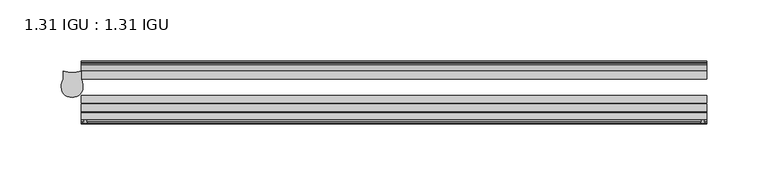
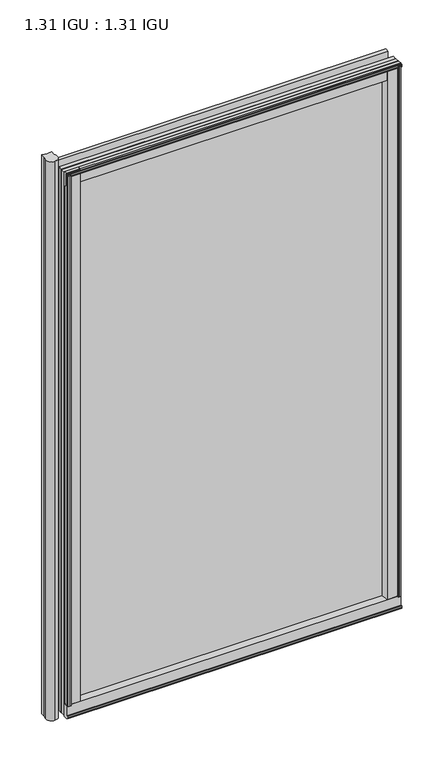
"""IFC4 building model written with IfcOpenShell, lengths in millimetres: plate geometry, 1.31 IGU : 1.31 IGU."""

import ifcopenshell
import ifcopenshell.guid

model = None  # the IFC model being written
_history = None  # IfcOwnerHistory: only IFC2X3 demands one
_inside = {}  # id of a spatial element -> (the spatial element, [elements in it])
_under = {}  # id of a project, library or spatial element -> (it, [spatial elements below it])
_declared = {}  # id of a project -> (the project, [libraries it declares])
_typed = {}  # id of a type object -> (the type object, [elements of that type])
_made_of = {}  # id of a material, layer set ... -> (it, [elements and type objects made of it])


def new_model(schema):
    """Start an empty IFC model of exactly this schema.

    Asked for "IFC4X3", IfcOpenShell would pick the latest addendum, in which some entities
    have other attributes; the version numbers below select the first issue.
    IFC2X3 requires an IfcOwnerHistory on every rooted entity: one is made here for all.
    """
    global model, _history
    if schema == "IFC4X3":
        model = ifcopenshell.file(schema_version=(4, 3, 0, 0))
    else:
        model = ifcopenshell.file(schema=schema)
    _inside.clear()
    _under.clear()
    _declared.clear()
    _typed.clear()
    _made_of.clear()
    _history = None
    if model.schema == "IFC2X3":
        org = make("IfcOrganization", Name="unknown")
        user = make(
            "IfcPersonAndOrganization",
            ThePerson=make("IfcPerson", FamilyName="unknown"),
            TheOrganization=org,
        )
        app = make(
            "IfcApplication",
            ApplicationDeveloper=org,
            Version="unknown",
            ApplicationFullName="unknown",
            ApplicationIdentifier="unknown",
        )
        _history = make(
            "IfcOwnerHistory",
            OwningUser=user,
            OwningApplication=app,
            ChangeAction="ADDED",
            CreationDate=0,
        )
    return model


def make(cls, **values):
    """One entity of the class cls with the attributes given. An attribute that is None is left unset."""
    return model.create_entity(
        cls, **{name: value for name, value in values.items() if value is not None}
    )


def rooted(cls, **values):
    """An entity with a GlobalId (a new one), such as an element, a storey or a relation."""
    return make(cls, GlobalId=ifcopenshell.guid.new(), OwnerHistory=_history, **values)


def si_unit(unit_type, name, prefix=None):
    """IfcSIUnit, for example si_unit("LENGTHUNIT", "METRE", prefix="MILLI")."""
    return make("IfcSIUnit", UnitType=unit_type, Prefix=prefix, Name=name)


def assignment(units):
    """IfcUnitAssignment: the units of a project."""
    return None if units is None else make("IfcUnitAssignment", Units=units)


def point(xyz):
    """IfcCartesianPoint."""
    return None if xyz is None else make("IfcCartesianPoint", Coordinates=xyz)


def direction(xyz):
    """IfcDirection."""
    return None if xyz is None else make("IfcDirection", DirectionRatios=xyz)


def frame(location, z_axis=None, x_axis=None):
    """IfcAxis2Placement3D, a coordinate frame: its origin and axes. An axis left out is left unset."""
    return make(
        "IfcAxis2Placement3D",
        Location=point(location),
        Axis=direction(z_axis),
        RefDirection=direction(x_axis),
    )


def frame_2d(location, x_axis=None):
    """IfcAxis2Placement2D, a coordinate frame in the plane: its origin and x axis."""
    return make(
        "IfcAxis2Placement2D", Location=point(location), RefDirection=direction(x_axis)
    )


def origin():
    """The frame at (0, 0, 0) with its axes left unset."""
    return frame((0.0, 0.0, 0.0))


def origin_with_axes():
    """The frame at (0, 0, 0) with the z axis (0, 0, 1) and the x axis (1, 0, 0) written out."""
    return frame((0.0, 0.0, 0.0), z_axis=(0.0, 0.0, 1.0), x_axis=(1.0, 0.0, 0.0))


def place(relative_to, where):
    """IfcLocalPlacement: puts the frame where relative to a parent placement (None: the world)."""
    return make(
        "IfcLocalPlacement", PlacementRelTo=relative_to, RelativePlacement=where
    )


def context(
    kind, dimensions, precision=None, world=None, true_north=None, identifier=None
):
    """IfcGeometricRepresentationContext, for example the 3D "Model" context."""
    return make(
        "IfcGeometricRepresentationContext",
        ContextIdentifier=identifier,
        ContextType=kind,
        CoordinateSpaceDimension=dimensions,
        Precision=precision,
        WorldCoordinateSystem=world,
        TrueNorth=true_north,
    )


def project(units=None, contexts=None):
    """IfcProject with its units and contexts."""
    return rooted(
        "IfcProject",
        Name="project",
        RepresentationContexts=contexts,
        UnitsInContext=assignment(units),
    )


def spatial(cls, under=None, at=None, **own):
    """A site, building, storey or space (cls), placed at a placement, below another one or the project."""
    s = rooted(cls, ObjectPlacement=at, **own)
    if under is not None:
        _under.setdefault(under.id(), (under, []))[1].append(s)
    return s


def polyline(points):
    """IfcPolyline through the points."""
    return make("IfcPolyline", Points=[point(p) for p in points])


def circle_curve(where, radius):
    """IfcCircle in the frame where."""
    return make("IfcCircle", Position=where, Radius=radius)


def ellipse_curve(where, semi_axis1, semi_axis2):
    """IfcEllipse in the frame where."""
    return make(
        "IfcEllipse", Position=where, SemiAxis1=semi_axis1, SemiAxis2=semi_axis2
    )


def trimmed(basis, trim1, trim2, sense, master):
    """IfcTrimmedCurve: the piece of a basis curve between two trims."""
    return make(
        "IfcTrimmedCurve",
        BasisCurve=basis,
        Trim1=trim1,
        Trim2=trim2,
        SenseAgreement=sense,
        MasterRepresentation=master,
    )


def segment(curve, same_sense, transition):
    """IfcCompositeCurveSegment."""
    return make(
        "IfcCompositeCurveSegment",
        Transition=transition,
        SameSense=same_sense,
        ParentCurve=curve,
    )


def composite_curve(segments, self_intersect=None):
    """IfcCompositeCurve: segments joined end to end."""
    return make("IfcCompositeCurve", Segments=segments, SelfIntersect=self_intersect)


def outline(outer, holes=None, kind="AREA"):
    """IfcArbitraryClosedProfileDef: a profile drawn as a closed curve; with holes, ...WithVoids."""
    if holes is None:
        return make("IfcArbitraryClosedProfileDef", ProfileType=kind, OuterCurve=outer)
    return make(
        "IfcArbitraryProfileDefWithVoids",
        ProfileType=kind,
        OuterCurve=outer,
        InnerCurves=holes,
    )


def extrude(swept, where, along, depth):
    """IfcExtrudedAreaSolid: the profile swept, set in the frame where, extruded along a direction by depth."""
    return make(
        "IfcExtrudedAreaSolid",
        SweptArea=swept,
        Position=where,
        ExtrudedDirection=direction(along),
        Depth=depth,
    )


def shape(context_of_items, identifier, shape_type, items):
    """IfcShapeRepresentation: the items that make up one representation, for example the "Body"."""
    return make(
        "IfcShapeRepresentation",
        ContextOfItems=context_of_items,
        RepresentationIdentifier=identifier,
        RepresentationType=shape_type,
        Items=items,
    )


def source(mapping_origin, context_of_items, identifier, shape_type, items):
    """IfcRepresentationMap: a shape defined once, which mapped items show again and again."""
    return make(
        "IfcRepresentationMap",
        MappingOrigin=mapping_origin,
        MappedRepresentation=shape(context_of_items, identifier, shape_type, items),
    )


def transform(
    local_origin,
    x_axis=None,
    y_axis=None,
    z_axis=None,
    scale=None,
    scale2=None,
    scale3=None,
    uniform=True,
):
    """IfcCartesianTransformationOperator3D, or its non-uniform kind. x_axis, y_axis, z_axis: its Axis1, 2, 3."""
    if uniform:
        return make(
            "IfcCartesianTransformationOperator3D",
            Axis1=direction(x_axis),
            Axis2=direction(y_axis),
            LocalOrigin=point(local_origin),
            Scale=scale,
            Axis3=direction(z_axis),
        )
    return make(
        "IfcCartesianTransformationOperator3DnonUniform",
        Axis1=direction(x_axis),
        Axis2=direction(y_axis),
        LocalOrigin=point(local_origin),
        Scale=scale,
        Axis3=direction(z_axis),
        Scale2=scale2,
        Scale3=scale3,
    )


def mapped(mapping_source, mapping_target):
    """IfcMappedItem: shows the shape of a source again, moved by a transform."""
    return make(
        "IfcMappedItem", MappingSource=mapping_source, MappingTarget=mapping_target
    )


def made_of(thing, what):
    """Note that an element or type object is made of a material, layer set ...; save() writes the relation."""
    if what is not None:
        _made_of.setdefault(what.id(), (what, []))[1].append(thing)
    return thing


def element(
    cls,
    number,
    at=None,
    inside=None,
    cuts=None,
    type_object=None,
    material=None,
    context=None,
    identifier="Body",
    shape_type=None,
    held_by="IfcProductDefinitionShape",
    body=None,
    shapes=None,
    **own,
):
    """One element of the class cls, such as IfcWall. Its Tag is "e" and its number.

    at: its placement. inside: the storey or other place that contains it. cuts: it is an
    opening in that element (IfcRelVoidsElement). A single representation is given by context,
    identifier, shape_type and body (its items); several are given by shapes. held_by: the class
    of the entity that holds the representations. save() writes the other relations.
    """
    e = rooted(cls, Tag="e%d" % number, ObjectPlacement=at, **own)
    if body is not None:
        shapes = [shape(context, identifier, shape_type, body)]
    if shapes is not None:
        e.Representation = make(held_by, Representations=shapes)
    if inside is not None:
        _inside.setdefault(inside.id(), (inside, []))[1].append(e)
    if cuts is not None:
        rooted(
            "IfcRelVoidsElement", RelatingBuildingElement=cuts, RelatedOpeningElement=e
        )
    if type_object is not None:
        _typed.setdefault(type_object.id(), (type_object, []))[1].append(e)
    return made_of(e, material)


def aggregate(whole, parts):
    """IfcRelAggregates: a whole, such as a stair, and the parts it consists of."""
    return rooted("IfcRelAggregates", RelatingObject=whole, RelatedObjects=parts)


def save(model, path):
    """Write the relations noted so far, then the file.

    IfcRelAggregates (storeys below a building ...), IfcRelContainedInSpatialStructure (elements
    in a storey), IfcRelDefinesByType, IfcRelAssociatesMaterial and IfcRelDeclares: one each for
    every whole, place, type object, material and project.
    """
    for whole, parts in _under.values():
        aggregate(whole, parts)
    for where, things in _inside.values():
        rooted(
            "IfcRelContainedInSpatialStructure",
            RelatedElements=things,
            RelatingStructure=where,
        )
    for kind, things in _typed.values():
        rooted("IfcRelDefinesByType", RelatedObjects=things, RelatingType=kind)
    for what, things in _made_of.values():
        rooted("IfcRelAssociatesMaterial", RelatedObjects=things, RelatingMaterial=what)
    for by, libraries in _declared.values():
        rooted("IfcRelDeclares", RelatingContext=by, RelatedDefinitions=libraries)
    model.write(path)


def plane_surface(at):
    """IfcPlane: the flat surface through the origin of the frame at, square to its z axis."""
    return make("IfcPlane", Position=at)


def cylinder_surface(at, radius):
    """IfcCylindricalSurface: all points at the distance radius from the z axis of the frame at."""
    return make("IfcCylindricalSurface", Position=at, Radius=radius)


def revolved_surface(curve, axis_point, axis_direction):
    """IfcSurfaceOfRevolution: the curve turned about the line through axis_point along axis_direction."""
    return make(
        "IfcSurfaceOfRevolution",
        SweptCurve=make("IfcArbitraryOpenProfileDef", ProfileType="CURVE", Curve=curve),
        AxisPosition=make("IfcAxis1Placement", Location=point(axis_point), Axis=direction(axis_direction)),
    )


def extruded_surface(curve, direction_of_extrusion, depth):
    """IfcSurfaceOfLinearExtrusion: the curve pushed along a direction by depth."""
    return make(
        "IfcSurfaceOfLinearExtrusion",
        SweptCurve=make("IfcArbitraryOpenProfileDef", ProfileType="CURVE", Curve=curve),
        ExtrudedDirection=direction(direction_of_extrusion),
        Depth=depth,
    )


def advanced_brep(points, edges, surfaces, faces):
    """IfcAdvancedBrep: a solid bounded by faces that lie on surfaces and meet in shared edges.

    An edge is (start, end): straight between two places in points (the first is 0);
    or (start, end, curve); or (start, end, curve, False) where it runs against its curve.
    A face is (place in surfaces, loops), or (place, loops, False) where it looks against
    its surface's normal. A loop lists edges by number (the first is 1), with a minus sign
    where the edge is run from its end to its start. The first loop is the outer one.
    """
    corners = [point(p) for p in points]
    vertices = [make("IfcVertexPoint", VertexGeometry=c) for c in corners]
    made = []
    for start, end, *more in edges:
        made.append(
            make(
                "IfcEdgeCurve",
                EdgeStart=vertices[start],
                EdgeEnd=vertices[end],
                EdgeGeometry=more[0] if more else make("IfcPolyline", Points=[corners[start], corners[end]]),
                SameSense=more[1] if len(more) > 1 else True,
            )
        )
    hull = []
    for where, loops, *sense in faces:
        bounds = []
        for j, loop in enumerate(loops):
            ring = [make("IfcOrientedEdge", EdgeElement=made[abs(k) - 1], Orientation=k > 0) for k in loop]
            bounds.append(
                make(
                    "IfcFaceOuterBound" if j == 0 else "IfcFaceBound",
                    Bound=make("IfcEdgeLoop", EdgeList=ring),
                    Orientation=True,
                )
            )
        hull.append(make("IfcAdvancedFace", Bounds=bounds, FaceSurface=surfaces[where], SameSense=sense[0] if sense else True))
    return make("IfcAdvancedBrep", Outer=make("IfcClosedShell", CfsFaces=hull))


def plate_1_31_igu_1_31_igu_c24cada8(model_context):
    return source(origin(), model_context, "Body", "SolidModel", [
        advanced_brep(
        [(-210.1117597, -39.3432088, 869.9372998), (-201.289837, -31.0522938, 869.9372998), (-202.7487195, -24.3085937, 869.9372998), (-202.7487195, -17.9585937, 869.9372998), (-210.1117597, -18.9109532, 869.9372998), (-217.4748, -17.9585937, 869.9372998), (-217.4748, -24.3085937, 869.9372998), (-218.9336825, -31.0522937, 869.9372998), (-210.1117597, -39.3432088, -31.7372998), (-218.9336825, -31.0522937, -31.7372998), (-217.4748, -24.3085937, -31.7372998), (-217.4748, -17.9585937, -31.7372998), (-210.1117597, -18.9109532, -31.7372998), (-202.7487195, -17.9585937, -31.7372998), (-202.7487195, -24.3085937, -31.7372998), (-201.289837, -31.0522938, -31.7372998)],
        [
            (0, 1, ellipse_curve(frame((-209.3823185, -31.0522937, 869.9372998), z_axis=(0.0, 0.0, 1.0), x_axis=(0.0, 1.0, 0.0)), 8.3248031, 8.0924815)),
            (1, 2, circle_curve(frame((-217.6056908, -31.0522937, 869.9372998), z_axis=(0.0, 0.0, 1.0), x_axis=(0.0, 1.0, 0.0)), 16.3158538)),
            (2, 3),
            (3, 4, circle_curve(frame((-210.1117597, 10.0284087, 869.9372998), z_axis=(0.0, 0.0, -1.0), x_axis=(0.0, 1.0, 0.0)), 28.9393619)),
            (4, 5, circle_curve(frame((-210.1117597, 10.0284087, 869.9372998), z_axis=(0.0, 0.0, -1.0), x_axis=(0.0, 1.0, 0.0)), 28.9393619)),
            (5, 6),
            (6, 7, circle_curve(frame((-202.6178287, -31.0522937, 869.9372998), z_axis=(0.0, 0.0, 1.0), x_axis=(0.0, 1.0, 0.0)), 16.3158538)),
            (7, 0, ellipse_curve(frame((-210.841201, -31.0522937, 869.9372998), z_axis=(0.0, 0.0, 1.0), x_axis=(0.0, 1.0, 0.0)), 8.3248031, 8.0924815)),
            (8, 9, ellipse_curve(frame((-210.841201, -31.0522937, -31.7372998), z_axis=(0.0, 0.0, -1.0), x_axis=(0.0, 1.0, 0.0)), 8.3248031, 8.0924815)),
            (9, 10, circle_curve(frame((-202.6178287, -31.0522937, -31.7372998), z_axis=(0.0, 0.0, -1.0), x_axis=(0.0, 1.0, 0.0)), 16.3158538)),
            (10, 11),
            (11, 12, circle_curve(frame((-210.1117597, 10.0284087, -31.7372998), z_axis=(0.0, 0.0, 1.0), x_axis=(0.0, 1.0, 0.0)), 28.9393619)),
            (12, 13, circle_curve(frame((-210.1117597, 10.0284087, -31.7372998), z_axis=(0.0, 0.0, 1.0), x_axis=(0.0, 1.0, 0.0)), 28.9393619)),
            (13, 14),
            (14, 15, circle_curve(frame((-217.6056908, -31.0522937, -31.7372998), z_axis=(0.0, 0.0, -1.0), x_axis=(0.0, 1.0, 0.0)), 16.3158538)),
            (15, 8, ellipse_curve(frame((-209.3823185, -31.0522937, -31.7372998), z_axis=(0.0, 0.0, -1.0), x_axis=(0.0, 1.0, 0.0)), 8.3248031, 8.0924815)),
            (7, 9),
            (8, 0),
            (6, 10),
            (5, 11),
            (4, 12),
            (3, 13),
            (2, 14),
            (1, 15),
        ],
        [
            plane_surface(frame((-288.925, -11.6085937, 869.9372998), z_axis=(0.0, 0.0, 1.0), x_axis=(0.0, 1.0, 0.0))),
            plane_surface(frame((-288.925, -11.6085937, -31.7372998), z_axis=(0.0, 0.0, -1.0), x_axis=(0.0, 1.0, 0.0))),
            extruded_surface(trimmed(ellipse_curve(frame((-210.841201, -31.0522937, -31.7372998), z_axis=(0.0, 0.0, 1.0), x_axis=(0.0, 1.0, 0.0)), 8.3248031, 8.0924815), [point((-218.9336825, -31.0522937, -31.7372998))], [point((-210.1117597, -39.3432088, -31.7372998))], True, "CARTESIAN"), (0.0, 0.0, 901.6745996), 901.6745996),
            cylinder_surface(frame((-202.6178287, -31.0522937, 869.9372998), z_axis=(0.0, 0.0, 1.0), x_axis=(0.0, 1.0, 0.0)), 16.3158538),
            plane_surface(frame((-217.4748, -17.9585937, 869.9372998), z_axis=(-1.0, 0.0, 0.0), x_axis=(0.0, 0.0, -1.0))),
            revolved_surface(polyline([(-210.1117597, 38.9677706, -31.73729979999996), (-210.1117597, 38.9677706, 869.9372998)]), (-210.1117597, 10.0284087, 869.9372998), (0.0, 0.0, -1.0)),
            plane_surface(frame((-202.7487195, -24.3085937, 869.9372998), z_axis=(1.0, 0.0, 0.0), x_axis=(0.0, 0.0, -1.0))),
            cylinder_surface(frame((-217.6056908, -31.0522937, 869.9372998), z_axis=(0.0, 0.0, 1.0), x_axis=(0.0, 1.0, 0.0)), 16.3158538),
            extruded_surface(trimmed(ellipse_curve(frame((-209.3823185, -31.0522937, -31.7372998), z_axis=(0.0, 0.0, 1.0), x_axis=(0.0, 1.0, 0.0)), 8.3248031, 8.0924815), [point((-210.1117597, -39.3432088, -31.7372998))], [point((-201.289837, -31.0522938, -31.7372998))], True, "CARTESIAN"), (0.0, 0.0, 901.6745996), 901.6745996),
        ],
        [
            (0, [[1, 2, 3, 4, 5, 6, 7, 8]]),
            (1, [[9, 10, 11, 12, 13, 14, 15, 16]]),
            (2, [[-8, 17, -9, 18]]),
            (3, [[-7, 19, -10, -17]]),
            (4, [[-6, 20, -11, -19]]),
            (5, [[-5, 21, -12, -20]]),
            (5, [[-4, 22, -13, -21]]),
            (6, [[-3, 23, -14, -22]]),
            (7, [[-2, 24, -15, -23]]),
            (8, [[-1, -18, -16, -24]]),
        ],
    ),
        extrude(outline(composite_curve([segment(polyline([(303.2245906, -57.6333938), (287.0398437, -57.6333938)]), True, "CONTINUOUS"), segment(trimmed(circle_curve(frame_2d((279.7451146, -57.6547678)), 7.2947605), [point((287.0398437, -57.6333938))], [point((283.2974551, -51.2833938))], True, "CARTESIAN"), True, "CONTINUOUS"), segment(polyline([(283.2974551, -51.2833938), (306.167876, -51.2833938)]), True, "CONTINUOUS"), segment(trimmed(circle_curve(frame_2d((306.167876, -52.0707938)), 0.7874), [point((306.167876, -51.2833938))], [point((306.9494069, -51.9748338))], False, "CARTESIAN"), True, "CONTINUOUS"), segment(polyline([(306.9494069, -51.9748338), (307.6441906, -57.6333938), (305.7137906, -57.6333938), (305.2565906, -59.624458), (306.2579525, -59.3561439), (306.5011906, -60.263921), (304.4691906, -60.8083938), (302.4371906, -60.263921), (302.6804288, -59.3561439), (303.6817906, -59.624458), (303.2245906, -57.6333938)]), True, "CONTINUOUS")], self_intersect=False)), origin_with_axes(), (0.0, 0.0, 1.0), 857.25),
        extrude(outline(composite_curve([segment(polyline([(-182.0664063, -57.6333937), (-198.2511531, -57.6333937), (-198.7083531, -59.624458), (-197.7069913, -59.3561439), (-197.4637531, -60.263921), (-199.4957531, -60.8083937), (-201.5277531, -60.263921), (-201.284515, -59.3561439), (-200.2831531, -59.624458), (-200.7403531, -57.6333937), (-202.6707531, -57.6333937), (-201.9759694, -51.9748338)]), True, "CONTINUOUS"), segment(trimmed(circle_curve(frame_2d((-201.1944385, -52.0707937)), 0.7874), [point((-201.9759694, -51.9748338))], [point((-201.1944385, -51.2833937))], False, "CARTESIAN"), True, "CONTINUOUS"), segment(polyline([(-201.1944385, -51.2833937), (-178.3240176, -51.2833937)]), True, "CONTINUOUS"), segment(trimmed(circle_curve(frame_2d((-174.7716771, -57.6547678)), 7.2947605), [point((-178.3240176, -51.2833937))], [point((-182.0664063, -57.6333937))], True, "CARTESIAN"), True, "CONTINUOUS")], self_intersect=False)), origin_with_axes(), (0.0, 0.0, 1.0), 857.25),
        extrude(outline(polyline([(-9.7543937, -6.8579998), (-10.4009552, -9.2709998), (-11.2596632, -9.0409097), (-10.8839895, -7.6388763), (-13.1833937, -8.3819998), (-13.1833937, -11.7850089), (-17.9585937, -10.1533914), (-17.9585937, 0.6595133), (-13.1833937, -0.5079998), (-13.1833937, -5.4609998), (-10.8839895, -6.0771233), (-11.2596632, -4.6750899), (-10.4009552, -4.4449998), (-9.7543937, -6.8579998)])), frame((-202.7039063, 0.0, 0.0), z_axis=(1.0, 0.0, 0.0), x_axis=(0.0, 1.0, 0.0)), (0.0, 0.0, 1.0), 510.38125),
        extrude(outline(composite_curve([segment(polyline([(-51.9748338, -19.930016), (-57.6333937, -20.6247998), (-57.6333937, -18.6943998), (-59.624458, -18.2371998), (-59.3561439, -19.2385617), (-60.263921, -19.4817998), (-60.8083937, -17.4497998), (-60.263921, -15.4177998), (-59.3561439, -15.6610379), (-59.624458, -16.6623998), (-57.6333937, -16.2051998), (-57.6333937, 0.0127002)]), True, "CONTINUOUS"), segment(trimmed(circle_curve(frame_2d((-58.1588233, 7.9620141)), 7.9666598), [point((-57.6333937, 0.0127002))], [point((-51.2833937, 3.9375717))], True, "CARTESIAN"), True, "CONTINUOUS"), segment(polyline([(-51.2833937, 3.9375717), (-51.2833937, -19.1484852)]), True, "CONTINUOUS"), segment(trimmed(circle_curve(frame_2d((-52.0707937, -19.1484852)), 0.7874), [point((-51.2833937, -19.1484852))], [point((-51.9748338, -19.930016))], False, "CARTESIAN"), True, "CONTINUOUS")], self_intersect=False)), frame((-202.7039063, 0.0, 0.0), z_axis=(1.0, 0.0, 0.0), x_axis=(0.0, 1.0, 0.0)), (0.0, 0.0, 1.0), 510.38125),
        extrude(outline(polyline([(-17.9585937, 848.3533914), (-13.1833937, 849.9850089), (-13.1833937, 846.5819998), (-10.8839895, 845.8388763), (-11.2596632, 847.2409097), (-10.4009552, 847.4709998), (-9.7543937, 845.0579998), (-10.4009552, 842.6449998), (-11.2596632, 842.8750899), (-10.8839895, 844.2771233), (-13.1833937, 843.6609998), (-13.1833937, 838.7079998), (-17.9585937, 837.5404867), (-17.9585937, 848.3533914)])), frame((-202.7039063, 0.0, 0.0), z_axis=(1.0, 0.0, 0.0), x_axis=(0.0, 1.0, 0.0)), (0.0, 0.0, 1.0), 510.38125),
        extrude(outline(composite_curve([segment(trimmed(circle_curve(frame_2d((-52.0707937, 857.3484852)), 0.7874), [point((-51.9748338, 858.130016))], [point((-51.2833937, 857.3484852))], False, "CARTESIAN"), True, "CONTINUOUS"), segment(polyline([(-51.2833937, 857.3484852), (-51.2833937, 834.2624283)]), True, "CONTINUOUS"), segment(trimmed(circle_curve(frame_2d((-58.1588233, 830.2379859)), 7.9666598), [point((-51.2833937, 834.2624283))], [point((-57.6333937, 838.1872998))], True, "CARTESIAN"), True, "CONTINUOUS"), segment(polyline([(-57.6333937, 838.1872998), (-57.6333937, 854.4051998), (-59.624458, 854.8623998), (-59.3561439, 853.8610379), (-60.263921, 853.6177998), (-60.8083937, 855.6497998), (-60.263921, 857.6817998), (-59.3561439, 857.4385617), (-59.624458, 856.4371998), (-57.6333937, 856.8943998), (-57.6333937, 858.8247998), (-51.9748338, 858.130016)]), True, "CONTINUOUS")], self_intersect=False)), frame((-202.7039063, 0.0, 0.0), z_axis=(1.0, 0.0, 0.0), x_axis=(0.0, 1.0, 0.0)), (0.0, 0.0, 1.0), 510.38125),
        extrude(outline(polyline([(296.5765765, -10.8839895), (297.3197, -13.1833937), (300.7227091, -13.1833937), (299.0910916, -17.9585937), (288.2781869, -17.9585937), (289.4457, -13.1833937), (294.3987, -13.1833937), (295.0148235, -10.8839895), (293.6127901, -11.2596632), (293.3827, -10.4009552), (295.7957, -9.7543937), (298.2087, -10.4009552), (297.9786099, -11.2596632), (296.5765765, -10.8839895)])), origin_with_axes(), (0.0, 0.0, 1.0), 838.2),
        extrude(outline(polyline([(307.6773437, -17.9585937), (307.6773437, -24.3085937), (-202.7039063, -24.3085937), (-202.7039063, -17.9585937), (307.6773437, -17.9585937)])), frame((0.0, 0.0, -19.0372998), z_axis=(0.0, 0.0, 1.0), x_axis=(1.0, 0.0, 0.0)), (0.0, 0.0, 1.0), 876.2872998),
        extrude(outline(polyline([(-202.7039063, -44.1459937), (-202.7039063, -37.7959937), (307.6773437, -37.7959937), (307.6773437, -44.1459937), (-202.7039063, -44.1459937)])), frame((0.0, 0.0, -19.0372998), z_axis=(0.0, 0.0, 1.0), x_axis=(1.0, 0.0, 0.0)), (0.0, 0.0, 1.0), 876.2872998),
        extrude(outline(polyline([(-202.7039063, -51.2833937), (-202.7039063, -44.9333937), (307.6773437, -44.9333937), (307.6773437, -51.2833937), (-202.7039063, -51.2833937)])), frame((0.0, 0.0, -19.0372998), z_axis=(0.0, 0.0, 1.0), x_axis=(1.0, 0.0, 0.0)), (0.0, 0.0, 1.0), 876.2872998),
    ])


if __name__ == "__main__":
    model = new_model("IFC4")
    model_context = context("Model", 3, world=origin())
    ifc_project = project(units=[si_unit("LENGTHUNIT", "METRE", prefix="MILLI")], contexts=[model_context])
    site = spatial("IfcSite", under=ifc_project)
    building = spatial("IfcBuilding", under=site)
    placement = place(None, origin())
    plate_1_31_igu_1_31_igu_shape = plate_1_31_igu_1_31_igu_c24cada8(model_context)
    element("IfcPlate", 1, ObjectType="1.31 IGU : 1.31 IGU", at=placement, inside=building, context=model_context, shape_type="MappedRepresentation", body=[
        mapped(plate_1_31_igu_1_31_igu_shape, transform((0.0, 0.0, 0.0), x_axis=(1.0, 0.0, 0.0), y_axis=(0.0, 1.0, 0.0), z_axis=(0.0, 0.0, 1.0))),
    ])
    save(model, "model.ifc")
